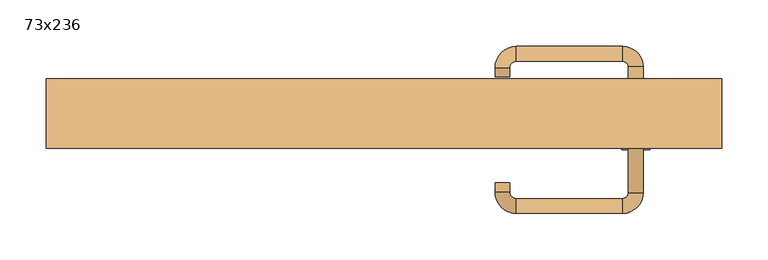
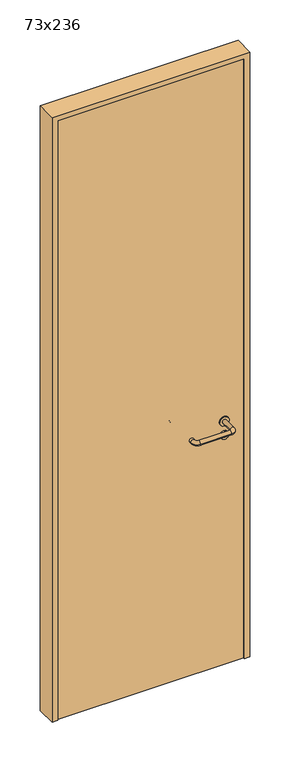
"""IFC4 building model written with IfcOpenShell, lengths in millimetres: door geometry, 73x236."""

from ifc_helpers import new_model, si_unit, point, frame, frame_2d, origin, origin_with_axes, place, context, project, spatial, polyline, circle_curve, ellipse_curve, trimmed, segment, composite_curve, outline, extrude, source, transform, mapped, element, save
from ifc_brep_helpers import plane_surface, cylinder_surface, revolved_surface, advanced_brep


def door_73x236_d6116112(model_context):
    return source(origin(), model_context, "Body", "SolidModel", [
        extrude(outline(composite_curve([segment(trimmed(circle_curve(frame_2d((897.3605726, 272.0)), 15.0), [point((897.3605726, 287.0))], [point((897.3605726, 257.0))], False, "CARTESIAN"), True, "CONTINUOUS"), segment(trimmed(circle_curve(frame_2d((897.3605726, 272.0)), 15.0), [point((897.3605726, 257.0))], [point((897.3605726, 287.0))], False, "CARTESIAN"), True, "CONTINUOUS")], self_intersect=False), holes=[composite_curve([segment(trimmed(circle_curve(frame_2d((892.5833211, 271.9398032)), 2.0), [point((892.5833211, 273.9398032))], [point((892.5833211, 269.9398032))], True, "CARTESIAN"), True, "CONTINUOUS"), segment(polyline([(892.5833211, 269.9398032), (902.5833211, 269.9398032)]), True, "CONTINUOUS"), segment(trimmed(circle_curve(frame_2d((902.5833211, 271.9398032)), 2.0), [point((902.5833211, 269.9398032))], [point((902.5833211, 273.9398032))], True, "CARTESIAN"), True, "CONTINUOUS"), segment(polyline([(902.5833211, 273.9398032), (892.5833211, 273.9398032)]), True, "CONTINUOUS")], self_intersect=False)]), frame((0.0, -27.5, 0.0), z_axis=(0.0, 1.0, 0.0), x_axis=(0.0, 0.0, 1.0)), (0.0, 0.0, 1.0), 6.35),
        extrude(outline(composite_curve([segment(trimmed(circle_curve(frame_2d((950.0, 272.0)), 17.526), [point((950.0, 289.526))], [point((950.0, 254.474))], False, "CARTESIAN"), True, "CONTINUOUS"), segment(trimmed(circle_curve(frame_2d((950.0, 272.0)), 17.526), [point((950.0, 254.474))], [point((950.0, 289.526))], False, "CARTESIAN"), True, "CONTINUOUS")], self_intersect=False)), frame((0.0, -27.5, 0.0), z_axis=(0.0, 1.0, 0.0), x_axis=(0.0, 0.0, 1.0)), (0.0, 0.0, 1.0), 3.175),
        advanced_brep(
        [(280.0, -27.5, 950.0), (264.0, -27.5, 950.0), (280.0, 25.5, 950.0), (264.0, 25.5, 950.0), (257.8578644, 31.6421356, 950.0), (257.8578644, 47.6421356, 950.0), (142.8578644, 47.6421356, 950.0), (142.8578644, 31.6421356, 950.0), (136.008622, 24.7928932, 950.0), (120.008622, 24.7928932, 950.0), (120.008622, 14.7928932, 950.0), (136.008622, 14.7928932, 950.0)],
        [
            (0, 1, circle_curve(frame((272.0, -27.5, 950.0), z_axis=(0.0, -1.0, 0.0), x_axis=(-1.0, 0.0, 0.0)), 8.0)),
            (1, 0, circle_curve(frame((272.0, -27.5, 950.0), z_axis=(0.0, -1.0, 0.0), x_axis=(-1.0, 0.0, 0.0)), 8.0)),
            (0, 2),
            (2, 3, circle_curve(frame((272.0, 25.5, 950.0), z_axis=(0.0, -1.0, 0.0), x_axis=(-1.0, 0.0, 0.0)), 8.0)),
            (3, 1),
            (3, 2, circle_curve(frame((272.0, 25.5, 950.0), z_axis=(0.0, -1.0, 0.0), x_axis=(-1.0, 0.0, 0.0)), 8.0)),
            (4, 3, circle_curve(frame((257.8578644, 25.5, 950.0), z_axis=(0.0, 0.0, -1.0), x_axis=(1.0, 0.0, 0.0)), 6.1421356)),
            (2, 5, circle_curve(frame((257.8578644, 25.5, 950.0), z_axis=(0.0, 0.0, 1.0), x_axis=(1.0, 0.0, 0.0)), 22.1421356)),
            (5, 4, circle_curve(frame((257.8578644, 39.6421356, 950.0), z_axis=(1.0, 0.0, 0.0), x_axis=(0.0, -1.0, 0.0)), 8.0)),
            (4, 5, circle_curve(frame((257.8578644, 39.6421356, 950.0), z_axis=(1.0, 0.0, 0.0), x_axis=(0.0, -1.0, 0.0)), 8.0)),
            (5, 6),
            (6, 7, circle_curve(frame((142.8578644, 39.6421356, 950.0), z_axis=(1.0, 0.0, 0.0), x_axis=(0.0, -1.0, 0.0)), 8.0)),
            (7, 4),
            (7, 6, circle_curve(frame((142.8578644, 39.6421356, 950.0), z_axis=(1.0, 0.0, 0.0), x_axis=(0.0, -1.0, 0.0)), 8.0)),
            (8, 7, circle_curve(frame((142.8578644, 24.7928932, 950.0), z_axis=(0.0, 0.0, -1.0), x_axis=(0.0, 1.0, 0.0)), 6.8492424)),
            (6, 9, circle_curve(frame((142.8578644, 24.7928932, 950.0), z_axis=(0.0, 0.0, 1.0), x_axis=(0.0, 1.0, 0.0)), 22.8492424)),
            (9, 8, circle_curve(frame((128.008622, 24.7928932, 950.0), z_axis=(0.0, 1.0, 0.0), x_axis=(1.0, 0.0, 0.0)), 8.0)),
            (8, 9, circle_curve(frame((128.008622, 24.7928932, 950.0), z_axis=(0.0, 1.0, 0.0), x_axis=(1.0, 0.0, 0.0)), 8.0)),
            (10, 11, circle_curve(frame((128.008622, 14.7928932, 950.0), z_axis=(0.0, -1.0, 0.0), x_axis=(1.0, 0.0, 0.0)), 8.0)),
            (11, 10, circle_curve(frame((128.008622, 14.7928932, 950.0), z_axis=(0.0, -1.0, 0.0), x_axis=(1.0, 0.0, 0.0)), 8.0)),
            (9, 10),
            (11, 8),
        ],
        [
            plane_surface(frame((272.0, -27.5, 0.0), z_axis=(0.0, -1.0, 0.0), x_axis=(0.0, 0.0, 1.0))),
            cylinder_surface(frame((272.0, -27.5, 950.0), z_axis=(0.0, -1.0, 0.0), x_axis=(-1.0, 0.0, 0.0)), 8.0),
            revolved_surface(trimmed(ellipse_curve(frame((272.0, 25.5, 950.0), z_axis=(0.0, -1.0, 0.0), x_axis=(-1.0, 0.0, 0.0)), 8.0, 8.0), [point((280.0, 25.5, 950.0))], [point((264.0, 25.5, 950.0))], True, "CARTESIAN"), (257.8578644, 25.5, 0.0), (0.0, 0.0, 1.0)),
            revolved_surface(trimmed(ellipse_curve(frame((272.0, 25.5, 950.0), z_axis=(0.0, -1.0, 0.0), x_axis=(-1.0, 0.0, 0.0)), 8.0, 8.0), [point((264.0, 25.5, 950.0))], [point((280.0, 25.5, 950.0))], True, "CARTESIAN"), (257.8578644, 25.5, 0.0), (0.0, 0.0, 1.0)),
            cylinder_surface(frame((257.8578644, 39.6421356, 950.0), z_axis=(1.0, 0.0, 0.0), x_axis=(0.0, -1.0, 0.0)), 8.0),
            revolved_surface(trimmed(ellipse_curve(frame((142.8578644, 39.6421356, 950.0), z_axis=(1.0, 0.0, 0.0), x_axis=(0.0, -1.0, 0.0)), 8.0, 8.0), [point((142.8578644, 47.6421356, 950.0))], [point((142.8578644, 31.6421356, 950.0))], True, "CARTESIAN"), (142.8578644, 24.7928932, 0.0), (0.0, 0.0, 1.0)),
            revolved_surface(trimmed(ellipse_curve(frame((142.8578644, 39.6421356, 950.0), z_axis=(1.0, 0.0, 0.0), x_axis=(0.0, -1.0, 0.0)), 8.0, 8.0), [point((142.8578644, 31.6421356, 950.0))], [point((142.8578644, 47.6421356, 950.0))], True, "CARTESIAN"), (142.8578644, 24.7928932, 0.0), (0.0, 0.0, 1.0)),
            plane_surface(frame((128.008622, 14.7928932, 0.0), z_axis=(0.0, -1.0, 0.0), x_axis=(0.0, 0.0, 1.0))),
            cylinder_surface(frame((128.008622, 24.7928932, 950.0), z_axis=(0.0, 1.0, 0.0), x_axis=(1.0, 0.0, 0.0)), 8.0),
        ],
        [
            (0, [[1, 2]]),
            (1, [[-1, 3, 4, 5]]),
            (1, [[-2, -5, 6, -3]]),
            (2, [[7, -4, 8, 9]]),
            (3, [[-8, -6, -7, 10]]),
            (4, [[-9, 11, 12, 13]]),
            (4, [[-10, -13, 14, -11]]),
            (5, [[15, -12, 16, 17]]),
            (6, [[-16, -14, -15, 18]]),
            (7, [[19, 20]]),
            (8, [[-17, 21, -20, 22]]),
            (8, [[-18, -22, -19, -21]]),
        ],
    ),
        extrude(outline(composite_curve([segment(trimmed(circle_curve(frame_2d((0.0, 15.0)), 15.0), [point((0.0, 30.0))], [point((0.0, 0.0))], False, "CARTESIAN"), True, "CONTINUOUS"), segment(trimmed(circle_curve(frame_2d((0.0, 15.0)), 15.0), [point((0.0, 0.0))], [point((0.0, 30.0))], False, "CARTESIAN"), True, "CONTINUOUS")], self_intersect=False), holes=[composite_curve([segment(trimmed(circle_curve(frame_2d((-4.7772515, 14.9398032)), 2.0), [point((-4.7772515, 16.9398032))], [point((-4.7772515, 12.9398032))], True, "CARTESIAN"), True, "CONTINUOUS"), segment(polyline([(-4.7772515, 12.9398032), (5.2227485, 12.9398032)]), True, "CONTINUOUS"), segment(trimmed(circle_curve(frame_2d((5.2227485, 14.9398032)), 2.0), [point((5.2227485, 12.9398032))], [point((5.2227485, 16.9398032))], True, "CARTESIAN"), True, "CONTINUOUS"), segment(polyline([(5.2227485, 16.9398032), (-4.7772515, 16.9398032)]), True, "CONTINUOUS")], self_intersect=False)]), frame((257.0, -63.85, 897.3605726), z_axis=(-1.8870575173328306e-12, 1.0, 0.0), x_axis=(0.0, 0.0, 1.0)), (0.0, 0.0, 1.0), 6.35),
        extrude(outline(composite_curve([segment(trimmed(circle_curve(frame_2d((0.0, 17.526)), 17.526), [point((0.0, 35.052))], [point((0.0, 0.0))], False, "CARTESIAN"), True, "CONTINUOUS"), segment(trimmed(circle_curve(frame_2d((0.0, 17.526)), 17.526), [point((0.0, 0.0))], [point((0.0, 35.052))], False, "CARTESIAN"), True, "CONTINUOUS")], self_intersect=False)), frame((254.474, -60.675, 950.0), z_axis=(-1.8870575173328306e-12, 1.0, 0.0), x_axis=(0.0, 0.0, 1.0)), (0.0, 0.0, 1.0), 3.175),
        advanced_brep(
        [(280.0, -57.5, 950.0), (264.0, -57.5, 950.0), (264.0, -110.5, 950.0), (280.0, -110.5, 950.0), (257.8578644, -116.6421356, 950.0), (257.8578644, -132.6421356, 950.0), (142.8578644, -116.6421356, 950.0), (142.8578644, -132.6421356, 950.0), (136.008622, -109.7928932, 950.0), (120.008622, -109.7928932, 950.0), (120.008622, -99.7928932, 950.0), (136.008622, -99.7928932, 950.0)],
        [
            (0, 1, circle_curve(frame((272.0, -57.5, 950.0), z_axis=(-1.888672253512351e-12, 1.0, 0.0), x_axis=(-1.0, -1.888672253512351e-12, 0.0)), 8.0)),
            (1, 0, circle_curve(frame((272.0, -57.5, 950.0), z_axis=(-1.888672253512351e-12, 1.0, 0.0), x_axis=(-1.0, -1.888672253512351e-12, 0.0)), 8.0)),
            (1, 2),
            (2, 3, circle_curve(frame((272.0, -110.5, 950.0), z_axis=(-1.888672253512351e-12, 1.0, 0.0), x_axis=(-1.0, -1.888672253512351e-12, 0.0)), 8.0)),
            (3, 0),
            (3, 2, circle_curve(frame((272.0, -110.5, 950.0), z_axis=(-1.888672253512351e-12, 1.0, 0.0), x_axis=(-1.0, -1.888672253512351e-12, 0.0)), 8.0)),
            (4, 5, circle_curve(frame((257.8578644, -124.6421356, 950.0), z_axis=(1.0, 1.913702061528922e-12, 0.0), x_axis=(-1.913702061528922e-12, 1.0, 0.0)), 8.0)),
            (5, 3, circle_curve(frame((257.8578644, -110.5, 950.0), z_axis=(0.0, 0.0, 1.0), x_axis=(1.0, 1.880717803715015e-12, 0.0)), 22.1421356)),
            (2, 4, circle_curve(frame((257.8578644, -110.5, 950.0), z_axis=(0.0, 0.0, -1.0), x_axis=(1.0, 1.880717803715015e-12, 0.0)), 6.1421356)),
            (5, 4, circle_curve(frame((257.8578644, -124.6421356, 950.0), z_axis=(1.0, 1.913702061528922e-12, 0.0), x_axis=(-1.913702061528922e-12, 1.0, 0.0)), 8.0)),
            (4, 6),
            (6, 7, circle_curve(frame((142.8578644, -124.6421356, 950.0), z_axis=(1.0, 1.913719828541269e-12, 0.0), x_axis=(-1.913719828541269e-12, 1.0, 0.0)), 8.0)),
            (7, 5),
            (7, 6, circle_curve(frame((142.8578644, -124.6421356, 950.0), z_axis=(1.0, 1.913719828541269e-12, 0.0), x_axis=(-1.913719828541269e-12, 1.0, 0.0)), 8.0)),
            (8, 9, circle_curve(frame((128.008622, -109.7928932, 950.0), z_axis=(1.8888942981172756e-12, -1.0, 0.0), x_axis=(1.0, 1.8888942981172756e-12, 0.0)), 8.0)),
            (9, 7, circle_curve(frame((142.8578644, -109.7928932, 950.0), z_axis=(0.0, 0.0, 1.0), x_axis=(1.9120873253494017e-12, -1.0, 0.0)), 22.8492424)),
            (6, 8, circle_curve(frame((142.8578644, -109.7928932, 950.0), z_axis=(0.0, 0.0, -1.0), x_axis=(1.9120873253494017e-12, -1.0, 0.0)), 6.8492424)),
            (9, 8, circle_curve(frame((128.008622, -109.7928932, 950.0), z_axis=(1.890448610351751e-12, -1.0, 0.0), x_axis=(1.0, 1.890448610351751e-12, 0.0)), 8.0)),
            (10, 11, circle_curve(frame((128.008622, -99.7928932, 950.0), z_axis=(-1.8903642334018795e-12, 1.0, 0.0), x_axis=(1.0, 1.8903642334018795e-12, 0.0)), 8.0)),
            (11, 10, circle_curve(frame((128.008622, -99.7928932, 950.0), z_axis=(-1.8903642334018795e-12, 1.0, 0.0), x_axis=(1.0, 1.8903642334018795e-12, 0.0)), 8.0)),
            (8, 11),
            (10, 9),
        ],
        [
            plane_surface(frame((272.0, -57.5, 0.0), z_axis=(-1.8870575173328306e-12, 1.0, 0.0), x_axis=(0.0, 0.0, 1.0))),
            cylinder_surface(frame((272.0, -57.5, 950.0), z_axis=(-1.888672253512351e-12, 1.0, 0.0), x_axis=(-1.0, -1.888672253512351e-12, 0.0)), 8.0),
            revolved_surface(trimmed(ellipse_curve(frame((272.0, -110.5, 950.0), z_axis=(1.8823325398945356e-12, -1.0, 0.0), x_axis=(-1.0, -1.8823325398945356e-12, 0.0)), 8.0, 8.0), [point((280.0, -110.5, 950.0))], [point((264.0, -110.5, 950.0))], True, "CARTESIAN"), (257.8578644, -110.5, 0.0), (0.0, 0.0, 1.0)),
            revolved_surface(trimmed(ellipse_curve(frame((272.0, -110.5, 950.0), z_axis=(1.8823325398945356e-12, -1.0, 0.0), x_axis=(-1.0, -1.8823325398945356e-12, 0.0)), 8.0, 8.0), [point((264.0, -110.5, 950.0))], [point((280.0, -110.5, 950.0))], True, "CARTESIAN"), (257.8578644, -110.5, 0.0), (0.0, 0.0, 1.0)),
            cylinder_surface(frame((257.8578644, -124.6421356, 950.0), z_axis=(1.0, 1.913719828541269e-12, 0.0), x_axis=(-1.913719828541269e-12, 1.0, 0.0)), 8.0),
            revolved_surface(trimmed(ellipse_curve(frame((142.8578644, -124.6421356, 950.0), z_axis=(-1.0, -1.913702061528922e-12, 0.0), x_axis=(-1.913702061528922e-12, 1.0, 0.0)), 8.0, 8.0), [point((142.8578644, -132.6421356, 950.0))], [point((142.8578644, -116.6421356, 950.0))], True, "CARTESIAN"), (142.8578644, -109.7928932, 0.0), (0.0, 0.0, 1.0)),
            revolved_surface(trimmed(ellipse_curve(frame((142.8578644, -124.6421356, 950.0), z_axis=(-1.0, -1.913702061528922e-12, 0.0), x_axis=(-1.913702061528922e-12, 1.0, 0.0)), 8.0, 8.0), [point((142.8578644, -116.6421356, 950.0))], [point((142.8578644, -132.6421356, 950.0))], True, "CARTESIAN"), (142.8578644, -109.7928932, 0.0), (0.0, 0.0, 1.0)),
            plane_surface(frame((128.008622, -99.7928932, 0.0), z_axis=(-1.8887494972223595e-12, 1.0, 0.0), x_axis=(0.0, 0.0, 1.0))),
            cylinder_surface(frame((128.008622, -109.7928932, 950.0), z_axis=(1.8903642334018795e-12, -1.0, 0.0), x_axis=(1.0, 1.8903642334018795e-12, 0.0)), 8.0),
        ],
        [
            (0, [[1, 2]]),
            (1, [[3, 4, 5, -2]]),
            (1, [[-5, 6, -3, -1]]),
            (2, [[7, 8, -4, 9]]),
            (3, [[10, -9, -6, -8]]),
            (4, [[11, 12, 13, -7]]),
            (4, [[-13, 14, -11, -10]]),
            (5, [[15, 16, -12, 17]]),
            (6, [[18, -17, -14, -16]]),
            (7, [[19, 20]]),
            (8, [[21, -19, 22, -15]]),
            (8, [[-22, -20, -21, -18]]),
        ],
    ),
        extrude(outline(polyline([(2340.0, 345.0), (0.0, 345.0), (0.0, 365.0), (2360.0, 365.0), (2360.0, -365.0), (0.0, -365.0), (0.0, -345.0), (2340.0, -345.0), (2340.0, 345.0)])), frame((0.0, -62.5, 0.0), z_axis=(0.0, 1.0, 0.0), x_axis=(0.0, 0.0, 1.0)), (0.0, 0.0, 1.0), 75.0),
        extrude(outline(polyline([(-345.0, -57.5), (-345.0, -27.5), (345.0, -27.5), (345.0, -57.5), (-345.0, -57.5)])), origin_with_axes(), (0.0, 0.0, 1.0), 2340.0),
    ])


if __name__ == "__main__":
    model = new_model("IFC4")
    model_context = context("Model", 3, world=origin())
    ifc_project = project(units=[si_unit("LENGTHUNIT", "METRE", prefix="MILLI")], contexts=[model_context])
    site = spatial("IfcSite", under=ifc_project)
    building = spatial("IfcBuilding", under=site)
    placement = place(None, origin())
    door_73x236_shape = door_73x236_d6116112(model_context)
    element("IfcDoor", 1, ObjectType="73x236", at=placement, inside=building, context=model_context, shape_type="MappedRepresentation", body=[
        mapped(door_73x236_shape, transform((0.0, 0.0, 0.0), x_axis=(1.0, 0.0, 0.0), y_axis=(0.0, 1.0, 0.0), z_axis=(0.0, 0.0, 1.0))),
    ])
    save(model, "model.ifc")
